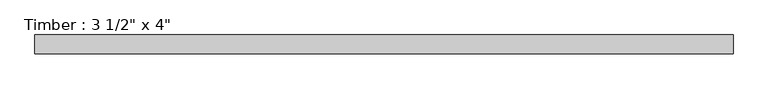
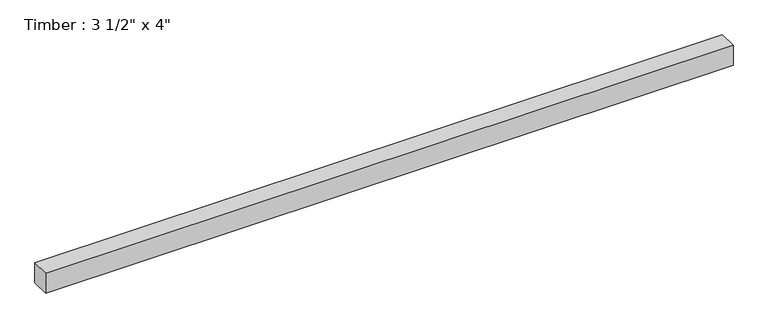
"""IFC4 building model written with IfcOpenShell, lengths in millimetres: beam geometry."""

from ifc_helpers import new_model, si_unit, frame, origin, place, context, project, spatial, polyline, outline, extrude, source, transform, mapped, element, save


def beam_3fa04ef0(model_context):
    return source(origin(), model_context, "Body", "SweptSolid", [
        extrude(outline(polyline([(1657.9717496, 44.45), (1657.9717496, -44.45), (-1657.9717496, -44.45), (-1657.9717496, 44.45), (1657.9717496, 44.45)])), frame((0.0, 0.0, -50.8), z_axis=(0.0, 0.0, 1.0), x_axis=(1.0, 0.0, 0.0)), (0.0, 0.0, 1.0), 101.6),
    ])


if __name__ == "__main__":
    model = new_model("IFC4")
    model_context = context("Model", 3, world=origin())
    ifc_project = project(units=[si_unit("LENGTHUNIT", "METRE", prefix="MILLI")], contexts=[model_context])
    site = spatial("IfcSite", under=ifc_project)
    building = spatial("IfcBuilding", under=site)
    placement = place(None, origin())
    beam_shape = beam_3fa04ef0(model_context)
    element("IfcBeam", 1, ObjectType="Timber : 3 1/2\" x 4\"", at=placement, inside=building, context=model_context, shape_type="MappedRepresentation", body=[
        mapped(beam_shape, transform((0.0, 0.0, 0.0), x_axis=(1.0, 0.0, 0.0), y_axis=(0.0, 1.0, 0.0), z_axis=(0.0, 0.0, 1.0))),
    ])
    save(model, "model.ifc")
